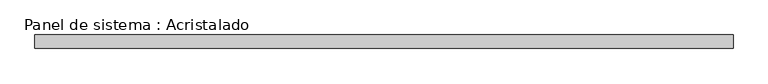
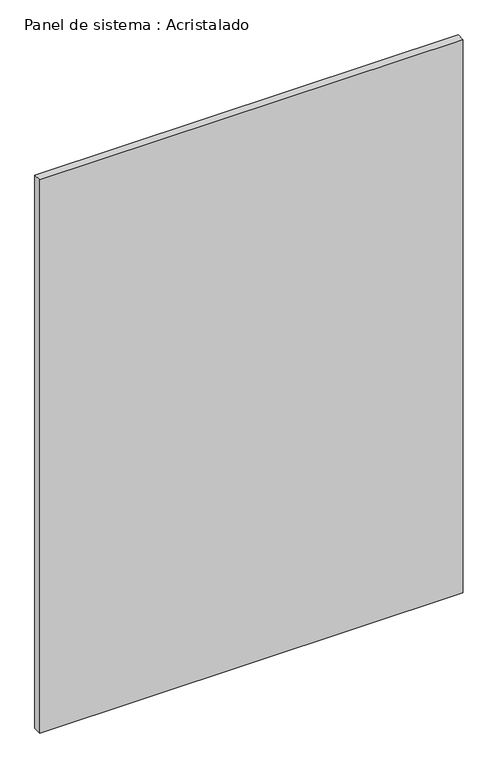
"""IFC4 building model written with IfcOpenShell, lengths in millimetres: plate geometry, Panel de sistema : Acristalado."""

from ifc_helpers import new_model, si_unit, origin, origin_with_axes, place, context, project, spatial, polyline, outline, extrude, source, transform, mapped, element, save


def panel_de_sistema_acristalado_6f5b3493(model_context):
    return source(origin(), model_context, "Body", "SweptSolid", [
        extrude(outline(polyline([(514.0087183, -10.0), (-514.0087183, -10.0), (-514.0087183, 10.0), (514.0087183, 10.0), (514.0087183, -10.0)])), origin_with_axes(), (0.0, 0.0, 1.0), 1419.2228533),
    ])


if __name__ == "__main__":
    model = new_model("IFC4")
    model_context = context("Model", 3, world=origin())
    ifc_project = project(units=[si_unit("LENGTHUNIT", "METRE", prefix="MILLI")], contexts=[model_context])
    site = spatial("IfcSite", under=ifc_project)
    building = spatial("IfcBuilding", under=site)
    placement = place(None, origin())
    panel_de_sistema_acristalado_shape = panel_de_sistema_acristalado_6f5b3493(model_context)
    element("IfcPlate", 1, ObjectType="Panel de sistema : Acristalado", at=placement, inside=building, context=model_context, shape_type="MappedRepresentation", body=[
        mapped(panel_de_sistema_acristalado_shape, transform((0.0, 0.0, 0.0), x_axis=(1.0, 0.0, 0.0), y_axis=(0.0, 1.0, 0.0), z_axis=(0.0, 0.0, 1.0))),
    ])
    save(model, "model.ifc")
